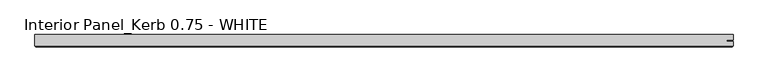
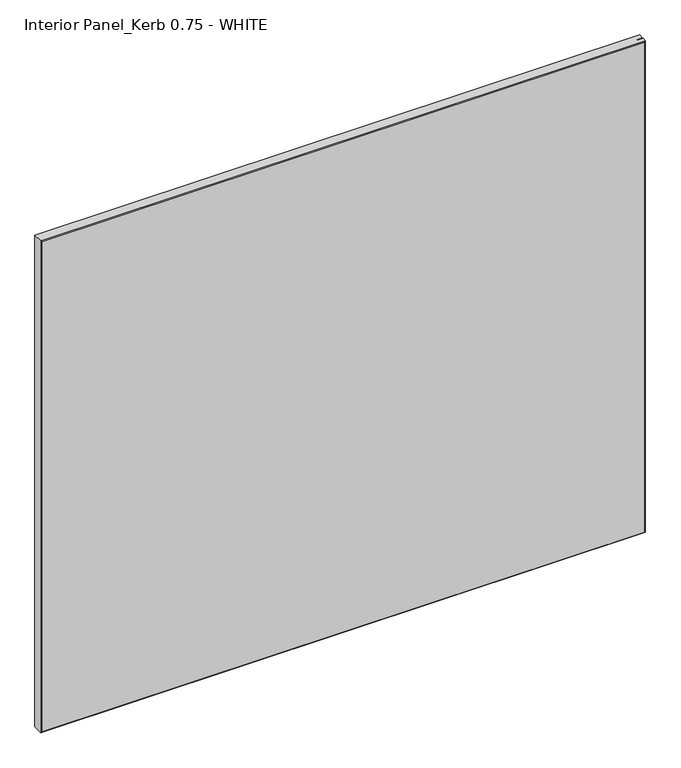
"""IFC4 building model written with IfcOpenShell, lengths in millimetres: proxy geometry, Interior Panel_Kerb 0.75 - WHITE."""

from ifc_helpers import new_model, si_unit, origin, place, context, project, spatial, faceted_brep, source, transform, mapped, element, save


def interior_panel_kerb_0_75_white_59183c88(model_context):
    return source(origin(), model_context, "Body", "Brep", [
        faceted_brep([(990.6, 3.175, 914.4), (-73.025, 3.175, 914.4), (-73.025, -14.2875, 914.4), (990.6, -14.2875, 914.4), (990.6, -7.4168, 914.4), (980.7773437, -7.4168, 914.4), (980.7773437, -5.2832, 914.4), (990.6, -5.2832, 914.4), (990.6, 3.175, 0.0), (990.6, -5.2832, 0.0), (980.7773437, -5.2832, 0.0), (980.7773437, -7.4168, 0.0), (990.6, -7.4168, 0.0), (990.6, -14.2875, 0.0), (-73.025, -14.2875, 0.0), (-73.025, 3.175, 0.0), (-71.4375, -15.875, 912.8125), (-71.4375, -15.875, 1.5875), (989.0125, -15.875, 1.5875), (989.0125, -15.875, 912.8125)], [[[0, 1, 2, 3, 4, 5, 6, 7]], [[8, 9, 10, 11, 12, 13, 14, 15]], [[1, 0, 8, 15]], [[2, 1, 15, 14]], [[16, 17, 18, 19]], [[4, 3, 13, 12]], [[2, 14, 17, 16]], [[13, 3, 19, 18]], [[3, 2, 16, 19]], [[14, 13, 18, 17]], [[5, 4, 12, 11]], [[6, 5, 11, 10]], [[7, 6, 10, 9]], [[0, 7, 9, 8]]]),
    ])


if __name__ == "__main__":
    model = new_model("IFC4")
    model_context = context("Model", 3, world=origin())
    ifc_project = project(units=[si_unit("LENGTHUNIT", "METRE", prefix="MILLI")], contexts=[model_context])
    site = spatial("IfcSite", under=ifc_project)
    building = spatial("IfcBuilding", under=site)
    placement = place(None, origin())
    interior_panel_kerb_0_75_white_shape = interior_panel_kerb_0_75_white_59183c88(model_context)
    element("IfcBuildingElementProxy", 1, Name="Interior Panel_Kerb 0.75 - WHITE", ObjectType="Interior Panel_Kerb 0.75 - WHITE", at=placement, inside=building, context=model_context, shape_type="MappedRepresentation", body=[
        mapped(interior_panel_kerb_0_75_white_shape, transform((0.0, 0.0, 0.0), x_axis=(1.0, 0.0, 0.0), y_axis=(0.0, 1.0, 0.0), z_axis=(0.0, 0.0, 1.0))),
    ])
    save(model, "model.ifc")
